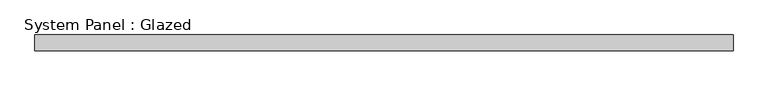
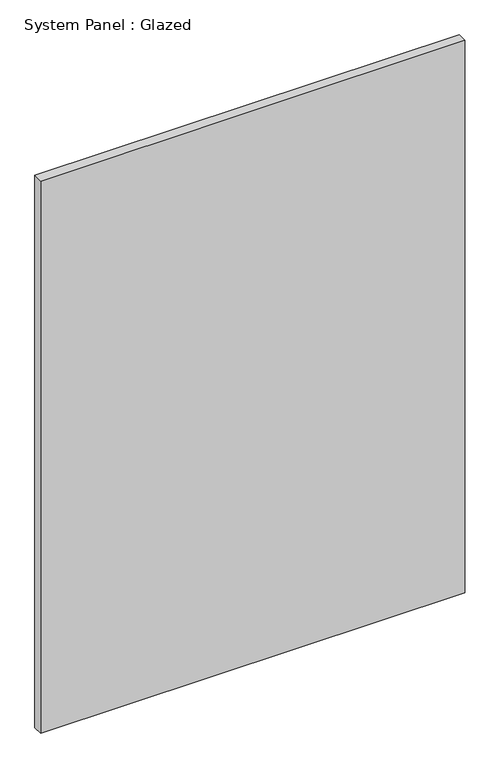
"""IFC4 building model written with IfcOpenShell, lengths in millimetres: plate geometry, System Panel : Glazed."""

from ifc_helpers import new_model, si_unit, origin, origin_with_axes, place, context, project, spatial, polyline, outline, extrude, source, transform, mapped, element, save


def system_panel_glazed_c65a4b43(model_context):
    return source(origin(), model_context, "Body", "SweptSolid", [
        extrude(outline(polyline([(545.3913591, 24.5), (-545.3913591, 24.5), (-545.3913591, 49.5), (545.3913591, 49.5), (545.3913591, 24.5)])), origin_with_axes(), (0.0, 0.0, 1.0), 1500.0),
    ])


if __name__ == "__main__":
    model = new_model("IFC4")
    model_context = context("Model", 3, world=origin())
    ifc_project = project(units=[si_unit("LENGTHUNIT", "METRE", prefix="MILLI")], contexts=[model_context])
    site = spatial("IfcSite", under=ifc_project)
    building = spatial("IfcBuilding", under=site)
    placement = place(None, origin())
    system_panel_glazed_shape = system_panel_glazed_c65a4b43(model_context)
    element("IfcPlate", 1, ObjectType="System Panel : Glazed", at=placement, inside=building, context=model_context, shape_type="MappedRepresentation", body=[
        mapped(system_panel_glazed_shape, transform((0.0, 0.0, 0.0), x_axis=(1.0, 0.0, 0.0), y_axis=(0.0, 1.0, 0.0), z_axis=(0.0, 0.0, 1.0))),
    ])
    save(model, "model.ifc")
